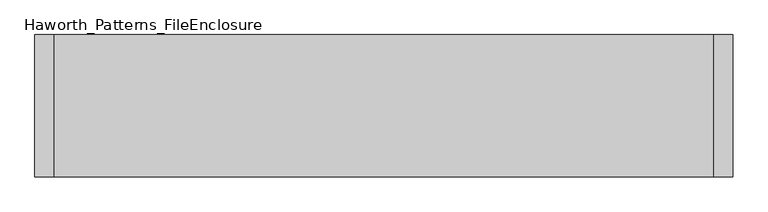
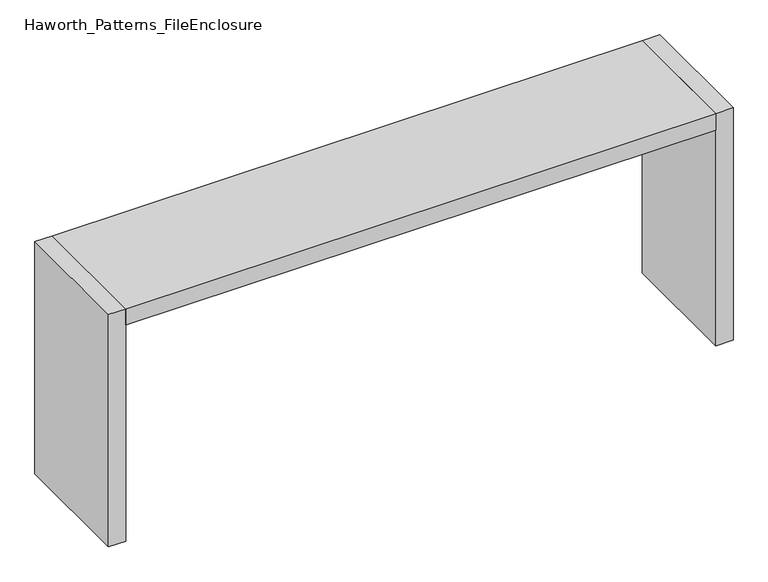
"""IFC4 building model written with IfcOpenShell, lengths in millimetres: furniture geometry, Haworth_Patterns_FileEnclosure."""

from ifc_helpers import new_model, si_unit, frame, origin, origin_with_axes, place, context, project, spatial, polyline, outline, extrude, source, transform, mapped, element, save


def haworth_patterns_fileenclosure_a4f5f1e0(model_context):
    return source(origin(), model_context, "Body", "SweptSolid", [
        extrude(outline(polyline([(1295.4, 0.0), (1295.4, -558.8), (-1295.4, -558.8), (-1295.4, 0.0), (1295.4, 0.0)])), frame((0.0, 0.0, 1003.3), z_axis=(0.0, 0.0, 1.0), x_axis=(1.0, 0.0, 0.0)), (0.0, 0.0, 1.0), 76.2),
        extrude(outline(polyline([(1295.4, 0.0), (1371.6, 0.0), (1371.6, -558.8), (1295.4, -558.8), (1295.4, 0.0)])), origin_with_axes(), (0.0, 0.0, 1.0), 1079.5),
        extrude(outline(polyline([(-1295.4, 0.0), (-1295.4, -558.8), (-1371.6, -558.8), (-1371.6, 0.0), (-1295.4, 0.0)])), origin_with_axes(), (0.0, 0.0, 1.0), 1079.5),
    ])


if __name__ == "__main__":
    model = new_model("IFC4")
    model_context = context("Model", 3, world=origin())
    ifc_project = project(units=[si_unit("LENGTHUNIT", "METRE", prefix="MILLI")], contexts=[model_context])
    site = spatial("IfcSite", under=ifc_project)
    building = spatial("IfcBuilding", under=site)
    placement = place(None, origin())
    haworth_patterns_fileenclosure_shape = haworth_patterns_fileenclosure_a4f5f1e0(model_context)
    element("IfcFurniture", 1, ObjectType="Haworth_Patterns_FileEnclosure", at=placement, inside=building, context=model_context, shape_type="MappedRepresentation", body=[
        mapped(haworth_patterns_fileenclosure_shape, transform((0.0, 0.0, 0.0), x_axis=(1.0, 0.0, 0.0), y_axis=(0.0, 1.0, 0.0), z_axis=(0.0, 0.0, 1.0))),
    ])
    save(model, "model.ifc")
